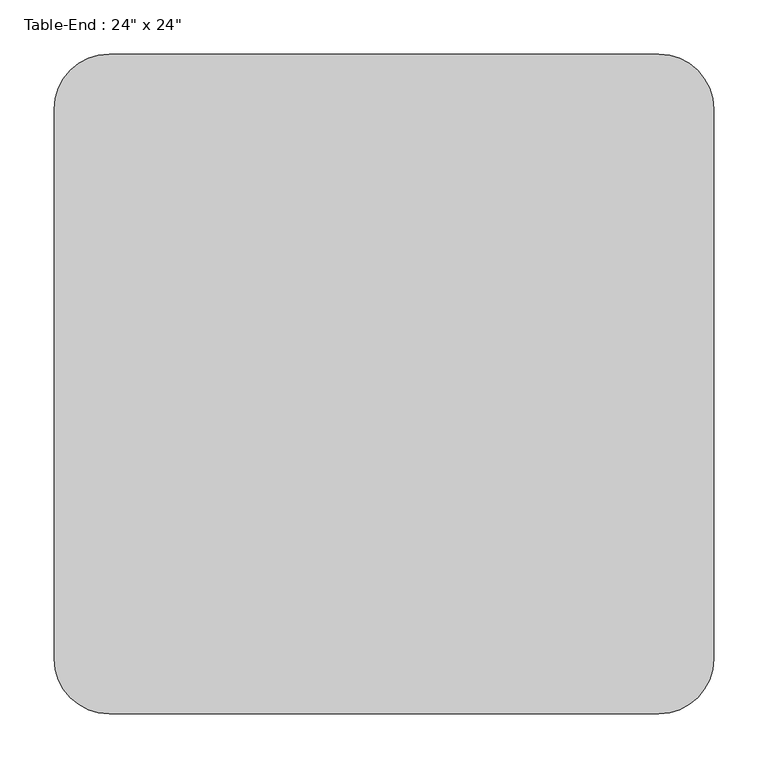
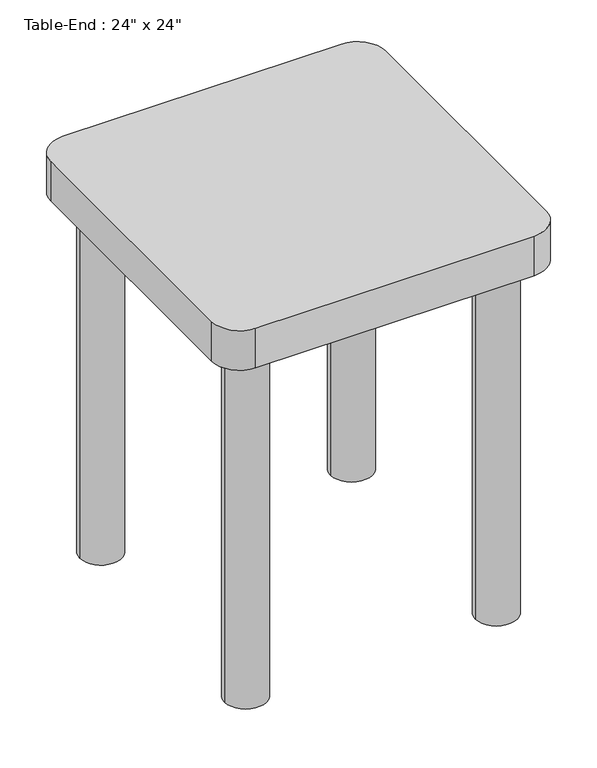
"""IFC4 building model written with IfcOpenShell, lengths in millimetres: furniture geometry."""

from ifc_helpers import new_model, si_unit, point, frame, frame_2d, origin, origin_with_axes, place, context, project, spatial, polyline, circle_curve, trimmed, segment, composite_curve, outline, extrude, source, transform, mapped, element, save


def furniture_8f1d81e6(model_context):
    return source(origin(), model_context, "Body", "SweptSolid", [
        extrude(outline(composite_curve([segment(trimmed(circle_curve(frame_2d((562.5336303, 101.6)), 50.8), [point((562.5336303, 152.4))], [point((613.3336303, 101.6))], False, "CARTESIAN"), True, "CONTINUOUS"), segment(polyline([(613.3336303, 101.6), (613.3336303, -406.4)]), True, "CONTINUOUS"), segment(trimmed(circle_curve(frame_2d((562.5336303, -406.4)), 50.8), [point((613.3336303, -406.4))], [point((562.5336303, -457.2))], False, "CARTESIAN"), True, "CONTINUOUS"), segment(polyline([(562.5336303, -457.2), (54.5336303, -457.2)]), True, "CONTINUOUS"), segment(trimmed(circle_curve(frame_2d((54.5336303, -406.4)), 50.8), [point((54.5336303, -457.2))], [point((3.7336303, -406.4))], False, "CARTESIAN"), True, "CONTINUOUS"), segment(polyline([(3.7336303, -406.4), (3.7336303, 101.6)]), True, "CONTINUOUS"), segment(trimmed(circle_curve(frame_2d((54.5336303, 101.6)), 50.8), [point((3.7336303, 101.6))], [point((54.5336303, 152.4))], False, "CARTESIAN"), True, "CONTINUOUS"), segment(polyline([(54.5336303, 152.4), (562.5336303, 152.4)]), True, "CONTINUOUS")], self_intersect=False)), frame((0.0, 0.0, 685.8), z_axis=(0.0, 0.0, 1.0), x_axis=(1.0, 0.0, 0.0)), (0.0, 0.0, 1.0), 76.2),
        extrude(outline(composite_curve([segment(trimmed(circle_curve(frame_2d((79.9336303, -381.0)), 38.1), [point((41.8336303, -381.0))], [point((118.0336303, -381.0))], False, "CARTESIAN"), True, "CONTINUOUS"), segment(trimmed(circle_curve(frame_2d((79.9336303, -381.0)), 38.1), [point((118.0336303, -381.0))], [point((41.8336303, -381.0))], False, "CARTESIAN"), True, "CONTINUOUS")], self_intersect=False)), origin_with_axes(), (0.0, 0.0, 1.0), 685.8),
        extrude(outline(composite_curve([segment(trimmed(circle_curve(frame_2d((79.9336303, 76.2)), 38.1), [point((41.8336303, 76.2))], [point((118.0336303, 76.2))], False, "CARTESIAN"), True, "CONTINUOUS"), segment(trimmed(circle_curve(frame_2d((79.9336303, 76.2)), 38.1), [point((118.0336303, 76.2))], [point((41.8336303, 76.2))], False, "CARTESIAN"), True, "CONTINUOUS")], self_intersect=False)), origin_with_axes(), (0.0, 0.0, 1.0), 685.8),
        extrude(outline(composite_curve([segment(trimmed(circle_curve(frame_2d((537.1336303, 76.2)), 38.1), [point((499.0336303, 76.2))], [point((575.2336303, 76.2))], False, "CARTESIAN"), True, "CONTINUOUS"), segment(trimmed(circle_curve(frame_2d((537.1336303, 76.2)), 38.1), [point((575.2336303, 76.2))], [point((499.0336303, 76.2))], False, "CARTESIAN"), True, "CONTINUOUS")], self_intersect=False)), origin_with_axes(), (0.0, 0.0, 1.0), 685.8),
        extrude(outline(composite_curve([segment(trimmed(circle_curve(frame_2d((537.1336303, -381.0)), 38.1), [point((499.0336303, -381.0))], [point((575.2336303, -381.0))], False, "CARTESIAN"), True, "CONTINUOUS"), segment(trimmed(circle_curve(frame_2d((537.1336303, -381.0)), 38.1), [point((575.2336303, -381.0))], [point((499.0336303, -381.0))], False, "CARTESIAN"), True, "CONTINUOUS")], self_intersect=False)), origin_with_axes(), (0.0, 0.0, 1.0), 685.8),
    ])


if __name__ == "__main__":
    model = new_model("IFC4")
    model_context = context("Model", 3, world=origin())
    ifc_project = project(units=[si_unit("LENGTHUNIT", "METRE", prefix="MILLI")], contexts=[model_context])
    site = spatial("IfcSite", under=ifc_project)
    building = spatial("IfcBuilding", under=site)
    placement = place(None, origin())
    furniture_shape = furniture_8f1d81e6(model_context)
    element("IfcFurniture", 1, ObjectType="Table-End : 24\" x 24\"", at=placement, inside=building, context=model_context, shape_type="MappedRepresentation", body=[
        mapped(furniture_shape, transform((0.0, 0.0, 0.0), x_axis=(1.0, 0.0, 0.0), y_axis=(0.0, 1.0, 0.0), z_axis=(0.0, 0.0, 1.0))),
    ])
    save(model, "model.ifc")
